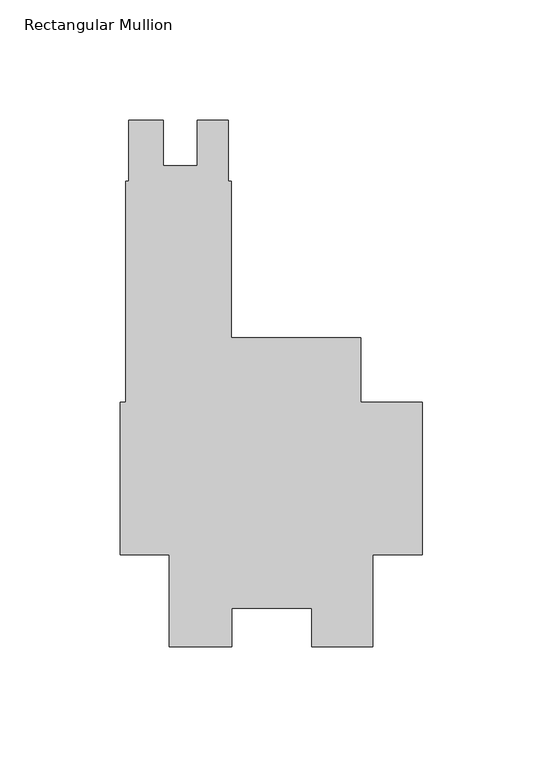
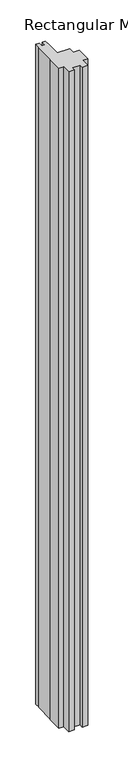
"""IFC4 building model written with IfcOpenShell, lengths in millimetres: member geometry, Rectangular Mullion."""

import ifcopenshell
import ifcopenshell.guid

model = None  # the IFC model being written
_history = None  # IfcOwnerHistory: only IFC2X3 demands one
_inside = {}  # id of a spatial element -> (the spatial element, [elements in it])
_under = {}  # id of a project, library or spatial element -> (it, [spatial elements below it])
_declared = {}  # id of a project -> (the project, [libraries it declares])
_typed = {}  # id of a type object -> (the type object, [elements of that type])
_made_of = {}  # id of a material, layer set ... -> (it, [elements and type objects made of it])


def new_model(schema):
    """Start an empty IFC model of exactly this schema.

    Asked for "IFC4X3", IfcOpenShell would pick the latest addendum, in which some entities
    have other attributes; the version numbers below select the first issue.
    IFC2X3 requires an IfcOwnerHistory on every rooted entity: one is made here for all.
    """
    global model, _history
    if schema == "IFC4X3":
        model = ifcopenshell.file(schema_version=(4, 3, 0, 0))
    else:
        model = ifcopenshell.file(schema=schema)
    _inside.clear()
    _under.clear()
    _declared.clear()
    _typed.clear()
    _made_of.clear()
    _history = None
    if model.schema == "IFC2X3":
        org = make("IfcOrganization", Name="unknown")
        user = make(
            "IfcPersonAndOrganization",
            ThePerson=make("IfcPerson", FamilyName="unknown"),
            TheOrganization=org,
        )
        app = make(
            "IfcApplication",
            ApplicationDeveloper=org,
            Version="unknown",
            ApplicationFullName="unknown",
            ApplicationIdentifier="unknown",
        )
        _history = make(
            "IfcOwnerHistory",
            OwningUser=user,
            OwningApplication=app,
            ChangeAction="ADDED",
            CreationDate=0,
        )
    return model


def make(cls, **values):
    """One entity of the class cls with the attributes given. An attribute that is None is left unset."""
    return model.create_entity(
        cls, **{name: value for name, value in values.items() if value is not None}
    )


def rooted(cls, **values):
    """An entity with a GlobalId (a new one), such as an element, a storey or a relation."""
    return make(cls, GlobalId=ifcopenshell.guid.new(), OwnerHistory=_history, **values)


def si_unit(unit_type, name, prefix=None):
    """IfcSIUnit, for example si_unit("LENGTHUNIT", "METRE", prefix="MILLI")."""
    return make("IfcSIUnit", UnitType=unit_type, Prefix=prefix, Name=name)


def assignment(units):
    """IfcUnitAssignment: the units of a project."""
    return None if units is None else make("IfcUnitAssignment", Units=units)


def point(xyz):
    """IfcCartesianPoint."""
    return None if xyz is None else make("IfcCartesianPoint", Coordinates=xyz)


def direction(xyz):
    """IfcDirection."""
    return None if xyz is None else make("IfcDirection", DirectionRatios=xyz)


def frame(location, z_axis=None, x_axis=None):
    """IfcAxis2Placement3D, a coordinate frame: its origin and axes. An axis left out is left unset."""
    return make(
        "IfcAxis2Placement3D",
        Location=point(location),
        Axis=direction(z_axis),
        RefDirection=direction(x_axis),
    )


def origin():
    """The frame at (0, 0, 0) with its axes left unset."""
    return frame((0.0, 0.0, 0.0))


def place(relative_to, where):
    """IfcLocalPlacement: puts the frame where relative to a parent placement (None: the world)."""
    return make(
        "IfcLocalPlacement", PlacementRelTo=relative_to, RelativePlacement=where
    )


def context(
    kind, dimensions, precision=None, world=None, true_north=None, identifier=None
):
    """IfcGeometricRepresentationContext, for example the 3D "Model" context."""
    return make(
        "IfcGeometricRepresentationContext",
        ContextIdentifier=identifier,
        ContextType=kind,
        CoordinateSpaceDimension=dimensions,
        Precision=precision,
        WorldCoordinateSystem=world,
        TrueNorth=true_north,
    )


def project(units=None, contexts=None):
    """IfcProject with its units and contexts."""
    return rooted(
        "IfcProject",
        Name="project",
        RepresentationContexts=contexts,
        UnitsInContext=assignment(units),
    )


def spatial(cls, under=None, at=None, **own):
    """A site, building, storey or space (cls), placed at a placement, below another one or the project."""
    s = rooted(cls, ObjectPlacement=at, **own)
    if under is not None:
        _under.setdefault(under.id(), (under, []))[1].append(s)
    return s


def polyline(points):
    """IfcPolyline through the points."""
    return make("IfcPolyline", Points=[point(p) for p in points])


def outline(outer, holes=None, kind="AREA"):
    """IfcArbitraryClosedProfileDef: a profile drawn as a closed curve; with holes, ...WithVoids."""
    if holes is None:
        return make("IfcArbitraryClosedProfileDef", ProfileType=kind, OuterCurve=outer)
    return make(
        "IfcArbitraryProfileDefWithVoids",
        ProfileType=kind,
        OuterCurve=outer,
        InnerCurves=holes,
    )


def extrude(swept, where, along, depth):
    """IfcExtrudedAreaSolid: the profile swept, set in the frame where, extruded along a direction by depth."""
    return make(
        "IfcExtrudedAreaSolid",
        SweptArea=swept,
        Position=where,
        ExtrudedDirection=direction(along),
        Depth=depth,
    )


def shape(context_of_items, identifier, shape_type, items):
    """IfcShapeRepresentation: the items that make up one representation, for example the "Body"."""
    return make(
        "IfcShapeRepresentation",
        ContextOfItems=context_of_items,
        RepresentationIdentifier=identifier,
        RepresentationType=shape_type,
        Items=items,
    )


def source(mapping_origin, context_of_items, identifier, shape_type, items):
    """IfcRepresentationMap: a shape defined once, which mapped items show again and again."""
    return make(
        "IfcRepresentationMap",
        MappingOrigin=mapping_origin,
        MappedRepresentation=shape(context_of_items, identifier, shape_type, items),
    )


def transform(
    local_origin,
    x_axis=None,
    y_axis=None,
    z_axis=None,
    scale=None,
    scale2=None,
    scale3=None,
    uniform=True,
):
    """IfcCartesianTransformationOperator3D, or its non-uniform kind. x_axis, y_axis, z_axis: its Axis1, 2, 3."""
    if uniform:
        return make(
            "IfcCartesianTransformationOperator3D",
            Axis1=direction(x_axis),
            Axis2=direction(y_axis),
            LocalOrigin=point(local_origin),
            Scale=scale,
            Axis3=direction(z_axis),
        )
    return make(
        "IfcCartesianTransformationOperator3DnonUniform",
        Axis1=direction(x_axis),
        Axis2=direction(y_axis),
        LocalOrigin=point(local_origin),
        Scale=scale,
        Axis3=direction(z_axis),
        Scale2=scale2,
        Scale3=scale3,
    )


def mapped(mapping_source, mapping_target):
    """IfcMappedItem: shows the shape of a source again, moved by a transform."""
    return make(
        "IfcMappedItem", MappingSource=mapping_source, MappingTarget=mapping_target
    )


def made_of(thing, what):
    """Note that an element or type object is made of a material, layer set ...; save() writes the relation."""
    if what is not None:
        _made_of.setdefault(what.id(), (what, []))[1].append(thing)
    return thing


def element(
    cls,
    number,
    at=None,
    inside=None,
    cuts=None,
    type_object=None,
    material=None,
    context=None,
    identifier="Body",
    shape_type=None,
    held_by="IfcProductDefinitionShape",
    body=None,
    shapes=None,
    **own,
):
    """One element of the class cls, such as IfcWall. Its Tag is "e" and its number.

    at: its placement. inside: the storey or other place that contains it. cuts: it is an
    opening in that element (IfcRelVoidsElement). A single representation is given by context,
    identifier, shape_type and body (its items); several are given by shapes. held_by: the class
    of the entity that holds the representations. save() writes the other relations.
    """
    e = rooted(cls, Tag="e%d" % number, ObjectPlacement=at, **own)
    if body is not None:
        shapes = [shape(context, identifier, shape_type, body)]
    if shapes is not None:
        e.Representation = make(held_by, Representations=shapes)
    if inside is not None:
        _inside.setdefault(inside.id(), (inside, []))[1].append(e)
    if cuts is not None:
        rooted(
            "IfcRelVoidsElement", RelatingBuildingElement=cuts, RelatedOpeningElement=e
        )
    if type_object is not None:
        _typed.setdefault(type_object.id(), (type_object, []))[1].append(e)
    return made_of(e, material)


def aggregate(whole, parts):
    """IfcRelAggregates: a whole, such as a stair, and the parts it consists of."""
    return rooted("IfcRelAggregates", RelatingObject=whole, RelatedObjects=parts)


def save(model, path):
    """Write the relations noted so far, then the file.

    IfcRelAggregates (storeys below a building ...), IfcRelContainedInSpatialStructure (elements
    in a storey), IfcRelDefinesByType, IfcRelAssociatesMaterial and IfcRelDeclares: one each for
    every whole, place, type object, material and project.
    """
    for whole, parts in _under.values():
        aggregate(whole, parts)
    for where, things in _inside.values():
        rooted(
            "IfcRelContainedInSpatialStructure",
            RelatedElements=things,
            RelatingStructure=where,
        )
    for kind, things in _typed.values():
        rooted("IfcRelDefinesByType", RelatedObjects=things, RelatingType=kind)
    for what, things in _made_of.values():
        rooted("IfcRelAssociatesMaterial", RelatedObjects=things, RelatingMaterial=what)
    for by, libraries in _declared.values():
        rooted("IfcRelDeclares", RelatingContext=by, RelatedDefinitions=libraries)
    model.write(path)


def rectangular_mullion_8abbb86d(model_context):
    return source(origin(), model_context, "Body", "SweptSolid", [
        extrude(outline(polyline([(-107.88015, 133.0007501), (-107.88015, 113.963451), (-93.59265, 113.963451), (-93.59265, 133.0007501), (-80.87995, 133.0007501), (-80.87995, 107.6007501), (-79.60995, 107.6007501), (-79.60995, 42.5005501), (-25.577927, 42.5005501), (-25.577927, 15.5257501), (0.0, 15.5257501), (0.0, -47.97425), (-20.6735973, -47.97425), (-20.6735973, -86.07425), (-45.9670891, -86.07425), (-45.9670891, -70.1867251), (-79.3689318, -70.1867251), (-79.3689318, -86.0974534), (-105.2447888, -86.0974534), (-105.2447888, -47.97425), (-125.7808, -47.97425), (-125.7808, 15.5257501), (-123.39955, 15.5257501), (-123.39955, 107.6007501), (-122.1422337, 107.6007501), (-122.1422337, 133.0007501), (-107.88015, 133.0007501)])), frame((0.0, 0.0, -3048.0), z_axis=(0.0, 0.0, 1.0), x_axis=(1.0, 0.0, 0.0)), (0.0, 0.0, 1.0), 3048.0),
    ])


if __name__ == "__main__":
    model = new_model("IFC4")
    model_context = context("Model", 3, world=origin())
    ifc_project = project(units=[si_unit("LENGTHUNIT", "METRE", prefix="MILLI")], contexts=[model_context])
    site = spatial("IfcSite", under=ifc_project)
    building = spatial("IfcBuilding", under=site)
    placement = place(None, origin())
    rectangular_mullion_shape = rectangular_mullion_8abbb86d(model_context)
    element("IfcMember", 1, ObjectType="Rectangular Mullion", at=placement, inside=building, context=model_context, shape_type="MappedRepresentation", body=[
        mapped(rectangular_mullion_shape, transform((0.0, 0.0, 0.0), x_axis=(1.0, 0.0, 0.0), y_axis=(0.0, 1.0, 0.0), z_axis=(0.0, 0.0, 1.0))),
    ])
    save(model, "model.ifc")
